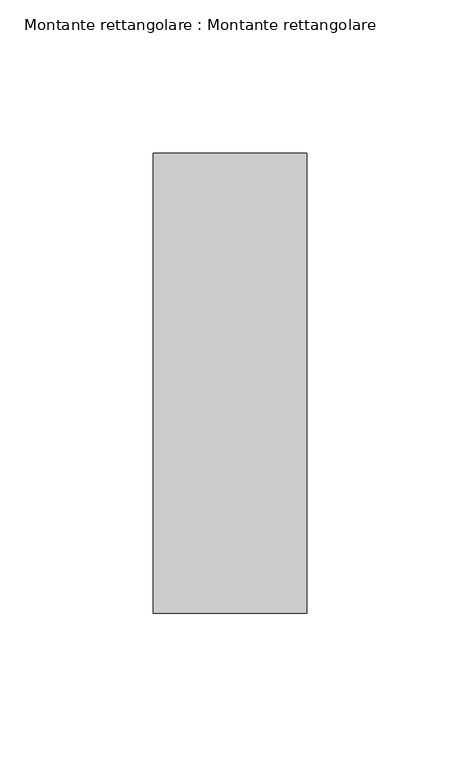
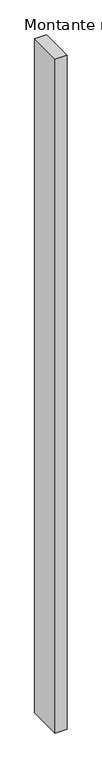
"""IFC4 building model written with IfcOpenShell, lengths in millimetres: member geometry, Montante rettangolare : Montante rettangolare."""

from ifc_helpers import new_model, si_unit, frame, origin, place, context, project, spatial, polyline, outline, extrude, source, transform, mapped, element, save


def montante_rettangolare_montante_rettangolare_68c91185(model_context):
    return source(origin(), model_context, "Body", "SweptSolid", [
        extrude(outline(polyline([(0.0, 75.0), (0.0, -75.0), (-50.0, -75.0), (-50.0, 75.0), (0.0, 75.0)])), frame((0.0, 0.0, -3000.0), z_axis=(0.0, 0.0, 1.0), x_axis=(1.0, 0.0, 0.0)), (0.0, 0.0, 1.0), 3000.0),
    ])


if __name__ == "__main__":
    model = new_model("IFC4")
    model_context = context("Model", 3, world=origin())
    ifc_project = project(units=[si_unit("LENGTHUNIT", "METRE", prefix="MILLI")], contexts=[model_context])
    site = spatial("IfcSite", under=ifc_project)
    building = spatial("IfcBuilding", under=site)
    placement = place(None, origin())
    montante_rettangolare_montante_rettangolare_shape = montante_rettangolare_montante_rettangolare_68c91185(model_context)
    element("IfcMember", 1, ObjectType="Montante rettangolare : Montante rettangolare", at=placement, inside=building, context=model_context, shape_type="MappedRepresentation", body=[
        mapped(montante_rettangolare_montante_rettangolare_shape, transform((0.0, 0.0, 0.0), x_axis=(1.0, 0.0, 0.0), y_axis=(0.0, 1.0, 0.0), z_axis=(0.0, 0.0, 1.0))),
    ])
    save(model, "model.ifc")
